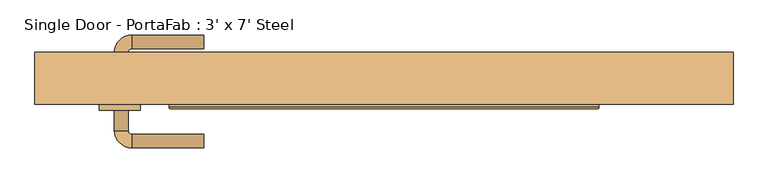
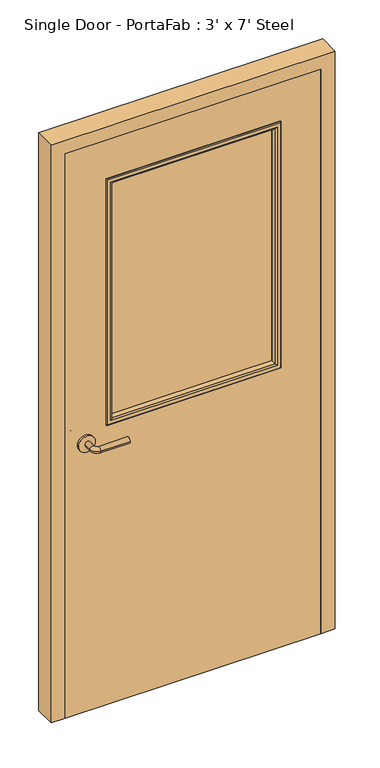
"""IFC4 building model written with IfcOpenShell, lengths in millimetres: door geometry, Single Door - PortaFab : 3' x 7' Steel."""

from ifc_helpers import new_model, si_unit, point, frame, frame_2d, origin, place, context, project, spatial, polyline, circle_curve, ellipse_curve, trimmed, segment, composite_curve, outline, extrude, faceted_brep, source, transform, mapped, element, save
from ifc_brep_helpers import plane_surface, cylinder_surface, revolved_surface, advanced_brep


def single_door_portafab_3_x_7_steel_7e8915a9(model_context):
    return source(origin(), model_context, "Body", "SolidModel", [
        advanced_brep(
        [(-392.190625, -69.7875, 1016.0), (-372.190625, -69.7875, 1016.0), (-392.190625, -39.7875, 1016.0), (-372.190625, -39.7875, 1016.0), (-367.190625, -34.7875, 1016.0), (-367.190625, -14.7875, 1016.0), (-262.190625, -14.7875, 1016.0), (-262.190625, -34.7875, 1016.0)],
        [
            (0, 1, circle_curve(frame((-382.190625, -69.7875, 1016.0), z_axis=(0.0, -1.0, 0.0), x_axis=(1.0, 0.0, 0.0)), 10.0)),
            (1, 0, circle_curve(frame((-382.190625, -69.7875, 1016.0), z_axis=(0.0, -1.0, 0.0), x_axis=(1.0, 0.0, 0.0)), 10.0)),
            (0, 2),
            (2, 3, circle_curve(frame((-382.190625, -39.7875, 1016.0), z_axis=(0.0, -1.0, 0.0), x_axis=(1.0, 0.0, 0.0)), 10.0)),
            (3, 1),
            (3, 2, circle_curve(frame((-382.190625, -39.7875, 1016.0), z_axis=(0.0, -1.0, 0.0), x_axis=(1.0, 0.0, 0.0)), 10.0)),
            (4, 3, circle_curve(frame((-367.190625, -39.7875, 1016.0), z_axis=(0.0, 0.0, 1.0), x_axis=(-1.0, 0.0, 0.0)), 5.0)),
            (2, 5, circle_curve(frame((-367.190625, -39.7875, 1016.0), z_axis=(0.0, 0.0, -1.0), x_axis=(-1.0, 0.0, 0.0)), 25.0)),
            (5, 4, circle_curve(frame((-367.190625, -24.7875, 1016.0), z_axis=(-1.0, 0.0, 0.0), x_axis=(0.0, -1.0, 0.0)), 10.0)),
            (4, 5, circle_curve(frame((-367.190625, -24.7875, 1016.0), z_axis=(-1.0, 0.0, 0.0), x_axis=(0.0, -1.0, 0.0)), 10.0)),
            (6, 7, circle_curve(frame((-262.190625, -24.7875, 1016.0), z_axis=(1.0, 0.0, 0.0), x_axis=(0.0, -1.0, 0.0)), 10.0)),
            (7, 6, circle_curve(frame((-262.190625, -24.7875, 1016.0), z_axis=(1.0, 0.0, 0.0), x_axis=(0.0, -1.0, 0.0)), 10.0)),
            (5, 6),
            (7, 4),
        ],
        [
            plane_surface(frame((-382.190625, -69.7875, 1016.0), z_axis=(0.0, -1.0, 0.0), x_axis=(0.0, 0.0, 1.0))),
            cylinder_surface(frame((-382.190625, -69.7875, 1016.0), z_axis=(0.0, -1.0, 0.0), x_axis=(1.0, 0.0, 0.0)), 10.0),
            revolved_surface(trimmed(ellipse_curve(frame((-382.190625, -39.7875, 1016.0), z_axis=(0.0, -1.0, 0.0), x_axis=(1.0, 0.0, 0.0)), 10.0, 10.0), [point((-392.190625, -39.7875, 1016.0))], [point((-372.190625, -39.7875, 1016.0))], True, "CARTESIAN"), (-367.190625, -39.7875, 1016.0), (0.0, 0.0, -1.0)),
            revolved_surface(trimmed(ellipse_curve(frame((-382.190625, -39.7875, 1016.0), z_axis=(0.0, -1.0, 0.0), x_axis=(1.0, 0.0, 0.0)), 10.0, 10.0), [point((-372.190625, -39.7875, 1016.0))], [point((-392.190625, -39.7875, 1016.0))], True, "CARTESIAN"), (-367.190625, -39.7875, 1016.0), (0.0, 0.0, -1.0)),
            plane_surface(frame((-262.190625, -24.7875, 1016.0), z_axis=(1.0, 0.0, 0.0), x_axis=(0.0, 0.0, 1.0))),
            cylinder_surface(frame((-367.190625, -24.7875, 1016.0), z_axis=(-1.0, 0.0, 0.0), x_axis=(0.0, -1.0, 0.0)), 10.0),
        ],
        [
            (0, [[1, 2]]),
            (1, [[-1, 3, 4, 5]]),
            (1, [[-2, -5, 6, -3]]),
            (2, [[7, -4, 8, 9]]),
            (3, [[-8, -6, -7, 10]]),
            (4, [[11, 12]]),
            (5, [[-9, 13, -12, 14]]),
            (5, [[-10, -14, -11, -13]]),
        ],
    ),
        extrude(outline(composite_curve([segment(trimmed(circle_curve(frame_2d((1016.0, -384.690625)), 30.0), [point((1016.0, -414.690625))], [point((1016.0, -354.690625))], False, "CARTESIAN"), True, "CONTINUOUS"), segment(trimmed(circle_curve(frame_2d((1016.0, -384.690625)), 30.0), [point((1016.0, -354.690625))], [point((1016.0, -414.690625))], False, "CARTESIAN"), True, "CONTINUOUS")], self_intersect=False)), frame((0.0, -77.7875, 0.0), z_axis=(0.0, 1.0, 0.0), x_axis=(0.0, 0.0, 1.0)), (0.0, 0.0, 1.0), 8.0),
        advanced_brep(
        [(-392.190625, -123.8875, 1016.0), (-372.190625, -123.8875, 1016.0), (-372.190625, -153.8875, 1016.0), (-392.190625, -153.8875, 1016.0), (-367.190625, -158.8875, 1016.0), (-367.190625, -178.8875, 1016.0), (-262.190625, -178.8875, 1016.0), (-262.190625, -158.8875, 1016.0)],
        [
            (0, 1, circle_curve(frame((-382.190625, -123.8875, 1016.0), z_axis=(0.0, 1.0, 0.0), x_axis=(1.0, 0.0, 0.0)), 10.0)),
            (1, 0, circle_curve(frame((-382.190625, -123.8875, 1016.0), z_axis=(0.0, 1.0, 0.0), x_axis=(1.0, 0.0, 0.0)), 10.0)),
            (1, 2),
            (2, 3, circle_curve(frame((-382.190625, -153.8875, 1016.0), z_axis=(0.0, 1.0, 0.0), x_axis=(1.0, 0.0, 0.0)), 10.0)),
            (3, 0),
            (3, 2, circle_curve(frame((-382.190625, -153.8875, 1016.0), z_axis=(0.0, 1.0, 0.0), x_axis=(1.0, 0.0, 0.0)), 10.0)),
            (4, 5, circle_curve(frame((-367.190625, -168.8875, 1016.0), z_axis=(-1.0, 0.0, 0.0), x_axis=(0.0, 1.0, 0.0)), 10.0)),
            (5, 3, circle_curve(frame((-367.190625, -153.8875, 1016.0), z_axis=(0.0, 0.0, -1.0), x_axis=(-1.0, 0.0, 0.0)), 25.0)),
            (2, 4, circle_curve(frame((-367.190625, -153.8875, 1016.0), z_axis=(0.0, 0.0, 1.0), x_axis=(-1.0, 0.0, 0.0)), 5.0)),
            (5, 4, circle_curve(frame((-367.190625, -168.8875, 1016.0), z_axis=(-1.0, 0.0, 0.0), x_axis=(0.0, 1.0, 0.0)), 10.0)),
            (6, 7, circle_curve(frame((-262.190625, -168.8875, 1016.0), z_axis=(1.0, 0.0, 0.0), x_axis=(0.0, 1.0, 0.0)), 10.0)),
            (7, 6, circle_curve(frame((-262.190625, -168.8875, 1016.0), z_axis=(1.0, 0.0, 0.0), x_axis=(0.0, 1.0, 0.0)), 10.0)),
            (4, 7),
            (6, 5),
        ],
        [
            plane_surface(frame((-382.190625, -123.8875, 1016.0), z_axis=(0.0, 1.0, 0.0), x_axis=(0.0, 0.0, 1.0))),
            cylinder_surface(frame((-382.190625, -123.8875, 1016.0), z_axis=(0.0, 1.0, 0.0), x_axis=(1.0, 0.0, 0.0)), 10.0),
            revolved_surface(trimmed(ellipse_curve(frame((-382.190625, -153.8875, 1016.0), z_axis=(0.0, -1.0, 0.0), x_axis=(1.0, 0.0, 0.0)), 10.0, 10.0), [point((-392.190625, -153.8875, 1016.0))], [point((-372.190625, -153.8875, 1016.0))], True, "CARTESIAN"), (-367.190625, -153.8875, 1016.0), (0.0, 0.0, -1.0)),
            revolved_surface(trimmed(ellipse_curve(frame((-382.190625, -153.8875, 1016.0), z_axis=(0.0, -1.0, 0.0), x_axis=(1.0, 0.0, 0.0)), 10.0, 10.0), [point((-372.190625, -153.8875, 1016.0))], [point((-392.190625, -153.8875, 1016.0))], True, "CARTESIAN"), (-367.190625, -153.8875, 1016.0), (0.0, 0.0, -1.0)),
            plane_surface(frame((-262.190625, -168.8875, 1016.0), z_axis=(1.0, 0.0, 0.0), x_axis=(0.0, 0.0, 1.0))),
            cylinder_surface(frame((-367.190625, -168.8875, 1016.0), z_axis=(-1.0, 0.0, 0.0), x_axis=(0.0, 1.0, 0.0)), 10.0),
        ],
        [
            (0, [[1, 2]]),
            (1, [[3, 4, 5, -2]]),
            (1, [[-5, 6, -3, -1]]),
            (2, [[7, 8, -4, 9]]),
            (3, [[10, -9, -6, -8]]),
            (4, [[11, 12]]),
            (5, [[13, -11, 14, -7]]),
            (5, [[-14, -12, -13, -10]]),
        ],
    ),
        extrude(outline(composite_curve([segment(trimmed(circle_curve(frame_2d((1016.0, -384.690625)), 30.0), [point((1016.0, -414.690625))], [point((1016.0, -354.690625))], False, "CARTESIAN"), True, "CONTINUOUS"), segment(trimmed(circle_curve(frame_2d((1016.0, -384.690625)), 30.0), [point((1016.0, -354.690625))], [point((1016.0, -414.690625))], False, "CARTESIAN"), True, "CONTINUOUS")], self_intersect=False)), frame((0.0, -123.8875, 0.0), z_axis=(0.0, 1.0, 0.0), x_axis=(0.0, 0.0, 1.0)), (0.0, 0.0, 1.0), 8.0),
        extrude(outline(polyline([(304.8, -90.4875), (304.8, -96.8375), (-304.8, -96.8375), (-304.8, -90.4875), (304.8, -90.4875)])), frame((0.0, 0.0, 1066.8), z_axis=(0.0, 0.0, 1.0), x_axis=(1.0, 0.0, 0.0)), (0.0, 0.0, 1.0), 914.4),
        extrude(outline(polyline([(2133.6, -457.2), (0.0, -457.2), (0.0, 457.2), (2133.6, 457.2), (2133.6, -457.2)]), holes=[polyline([(1981.2, -304.8), (1981.2, 304.8), (1066.8, 304.8), (1066.8, -304.8), (1981.2, -304.8)])]), frame((0.0, -115.8875, 0.0), z_axis=(0.0, 1.0, 0.0), x_axis=(0.0, 0.0, 1.0)), (0.0, 0.0, 1.0), 38.1),
        faceted_brep([(457.2, -73.025, 0.0), (441.325, -73.025, 0.0), (441.325, -39.6875, 0.0), (508.0, -39.6875, 0.0), (508.0, -115.8875, 0.0), (457.2, -115.8875, 0.0), (457.2, -115.8875, 2133.6), (457.2, -73.025, 2133.6), (508.0, -115.8875, 2184.4), (-508.0, -115.8875, 2184.4), (-508.0, -115.8875, 0.0), (-457.2, -115.8875, 0.0), (-457.2, -115.8875, 2133.6), (508.0, -39.6875, 2184.4), (441.325, -39.6875, 2117.725), (-441.325, -39.6875, 2117.725), (-441.325, -39.6875, 0.0), (-508.0, -39.6875, 0.0), (-508.0, -39.6875, 2184.4), (441.325, -73.025, 2117.725), (-457.2, -73.025, 2133.6), (-457.2, -73.025, 0.0), (-441.325, -73.025, 0.0), (-441.325, -73.025, 2117.725)], [[[0, 1, 2, 3, 4, 5]], [[5, 6, 7, 0]], [[4, 8, 9, 10, 11, 12, 6, 5]], [[3, 13, 8, 4]], [[3, 2, 14, 15, 16, 17, 18, 13]], [[1, 19, 14, 2]], [[0, 7, 20, 21, 22, 23, 19, 1]], [[12, 11, 21, 20]], [[21, 11, 10, 17, 16, 22]], [[18, 17, 10, 9]], [[23, 22, 16, 15]], [[6, 12, 20, 7]], [[13, 18, 9, 8]], [[19, 23, 15, 14]]]),
        advanced_brep(
        [(-304.8, -96.8375, 1066.8), (-304.8, -96.8375, 1981.2), (-304.8, -77.7875, 1981.2), (-304.8, -77.7875, 1066.8), (-292.8, -76.7875, 1078.8), (-292.8, -76.7875, 1969.2), (-292.8, -96.8375, 1969.2), (-292.8, -96.8375, 1078.8), (-297.8, -71.7875, 1073.8), (-297.8, -71.7875, 1974.2), (-312.8, -73.7875, 1058.8), (-312.8, -73.7875, 1989.2), (-310.8, -71.7875, 1987.2), (-310.8, -71.7875, 1060.8), (-312.8, -77.7875, 1058.8), (-312.8, -77.7875, 1989.2), (304.8, -96.8375, 1981.2), (304.8, -77.7875, 1981.2), (292.8, -76.7875, 1969.2), (292.8, -96.8375, 1969.2), (297.8, -71.7875, 1974.2), (312.8, -73.7875, 1989.2), (310.8, -71.7875, 1987.2), (312.8, -77.7875, 1989.2), (304.8, -96.8375, 1066.8), (304.8, -77.7875, 1066.8), (292.8, -76.7875, 1078.8), (292.8, -96.8375, 1078.8), (297.8, -71.7875, 1073.8), (312.8, -73.7875, 1058.8), (310.8, -71.7875, 1060.8), (312.8, -77.7875, 1058.8)],
        [
            (0, 1),
            (1, 2),
            (2, 3),
            (3, 0),
            (4, 5),
            (5, 6),
            (6, 7),
            (7, 4),
            (8, 9),
            (9, 5, ellipse_curve(frame((-297.8, -76.7875, 1974.2), z_axis=(-0.7071067811865475, 0.0, -0.7071067811865475), x_axis=(0.7071067811865474, 0.0, -0.7071067811865476)), 7.0710678, 5.0)),
            (4, 8, ellipse_curve(frame((-297.8, -76.7875, 1073.8), z_axis=(-0.7071067811865475, 0.0, 0.7071067811865475), x_axis=(-0.7071067811865474, 0.0, -0.7071067811865476)), 7.0710678, 5.0)),
            (10, 11),
            (11, 12, ellipse_curve(frame((-310.8, -73.7875, 1987.2), z_axis=(-0.7071067811865475, 0.0, -0.7071067811865475), x_axis=(0.7071067811865474, 0.0, -0.7071067811865476)), 2.8284271, 2.0)),
            (12, 13),
            (13, 10, ellipse_curve(frame((-310.8, -73.7875, 1060.8), z_axis=(-0.7071067811865475, 0.0, 0.7071067811865475), x_axis=(-0.7071067811865474, 0.0, -0.7071067811865476)), 2.8284271, 2.0)),
            (14, 15),
            (15, 11),
            (10, 14),
            (1, 16),
            (16, 17),
            (17, 2),
            (5, 18),
            (18, 19),
            (19, 6),
            (9, 20),
            (20, 18, ellipse_curve(frame((297.8, -76.7875, 1974.2), z_axis=(-0.7071067811865475, 0.0, 0.7071067811865475), x_axis=(-0.7071067811865476, 0.0, -0.7071067811865474)), 7.0710678, 5.0)),
            (11, 21),
            (21, 22, ellipse_curve(frame((310.8, -73.7875, 1987.2), z_axis=(-0.7071067811865475, 0.0, 0.7071067811865475), x_axis=(-0.7071067811865476, 0.0, -0.7071067811865474)), 2.8284271, 2.0)),
            (22, 12),
            (15, 23),
            (23, 21),
            (16, 24),
            (24, 25),
            (25, 17),
            (18, 26),
            (26, 27),
            (27, 19),
            (20, 28),
            (28, 26, ellipse_curve(frame((297.8, -76.7875, 1073.8), z_axis=(0.7071067811865475, 0.0, 0.7071067811865475), x_axis=(-0.7071067811865474, 0.0, 0.7071067811865476)), 7.0710678, 5.0)),
            (21, 29),
            (29, 30, ellipse_curve(frame((310.8, -73.7875, 1060.8), z_axis=(0.7071067811865475, 0.0, 0.7071067811865475), x_axis=(-0.7071067811865474, 0.0, 0.7071067811865476)), 2.8284271, 2.0)),
            (30, 22),
            (23, 31),
            (31, 29),
            (14, 31),
            (25, 3),
            (24, 0),
            (27, 7),
            (26, 4),
            (28, 8),
            (30, 13),
            (29, 10),
        ],
        [
            plane_surface(frame((-304.8, -77.7875, 1066.8), z_axis=(-1.0, 0.0, 0.0), x_axis=(0.0, 0.0, 1.0))),
            plane_surface(frame((-292.8, -96.8375, 1078.8), z_axis=(1.0, 0.0, 0.0), x_axis=(0.0, 0.0, 1.0))),
            cylinder_surface(frame((-297.8, -76.7875, 1066.8), z_axis=(0.0, 0.0, -1.0), x_axis=(-1.0, 0.0, 0.0)), 5.0),
            cylinder_surface(frame((-310.8, -73.7875, 1066.8), z_axis=(0.0, 0.0, -1.0), x_axis=(-1.0, 0.0, 0.0)), 2.0),
            plane_surface(frame((-312.8, -73.7875, 1058.8), z_axis=(-1.0, 0.0, 0.0), x_axis=(0.0, 0.0, 1.0))),
            plane_surface(frame((-304.8, -77.7875, 1981.2), z_axis=(0.0, 0.0, 1.0), x_axis=(1.0, 0.0, 0.0))),
            plane_surface(frame((-292.8, -96.8375, 1969.2), z_axis=(0.0, 0.0, -1.0), x_axis=(1.0, 0.0, 0.0))),
            cylinder_surface(frame((-304.8, -76.7875, 1974.2), z_axis=(-1.0, 0.0, 0.0), x_axis=(0.0, 0.0, 1.0)), 5.0),
            cylinder_surface(frame((-304.8, -73.7875, 1987.2), z_axis=(-1.0, 0.0, 0.0), x_axis=(0.0, 0.0, 1.0)), 2.0),
            plane_surface(frame((-312.8, -73.7875, 1989.2), z_axis=(0.0, 0.0, 1.0), x_axis=(1.0, 0.0, 0.0))),
            plane_surface(frame((304.8, -77.7875, 1981.2), z_axis=(1.0, 0.0, 0.0), x_axis=(0.0, 0.0, -1.0))),
            plane_surface(frame((292.8, -96.8375, 1969.2), z_axis=(-1.0, 0.0, 0.0), x_axis=(0.0, 0.0, -1.0))),
            cylinder_surface(frame((297.8, -76.7875, 1981.2), z_axis=(0.0, 0.0, 1.0), x_axis=(1.0, 0.0, 0.0)), 5.0),
            cylinder_surface(frame((310.8, -73.7875, 1981.2), z_axis=(0.0, 0.0, 1.0), x_axis=(1.0, 0.0, 0.0)), 2.0),
            plane_surface(frame((312.8, -73.7875, 1989.2), z_axis=(1.0, 0.0, 0.0), x_axis=(0.0, 0.0, -1.0))),
            plane_surface(frame((312.8, -77.7875, 1058.8), z_axis=(0.0, -1.0, 0.0), x_axis=(-1.0, 0.0, 0.0))),
            plane_surface(frame((304.8, -77.7875, 1066.8), z_axis=(0.0, 0.0, -1.0), x_axis=(-1.0, 0.0, 0.0))),
            plane_surface(frame((304.8, -96.8375, 1066.8), z_axis=(0.0, -1.0, 0.0), x_axis=(-1.0, 0.0, 0.0))),
            plane_surface(frame((292.8, -96.8375, 1078.8), z_axis=(0.0, 0.0, 1.0), x_axis=(-1.0, 0.0, 0.0))),
            cylinder_surface(frame((304.8, -76.7875, 1073.8), z_axis=(1.0, 0.0, 0.0), x_axis=(0.0, 0.0, -1.0)), 5.0),
            plane_surface(frame((297.8, -71.7875, 1073.8), z_axis=(0.0, 1.0, 0.0), x_axis=(-1.0, 0.0, 0.0))),
            cylinder_surface(frame((304.8, -73.7875, 1060.8), z_axis=(1.0, 0.0, 0.0), x_axis=(0.0, 0.0, -1.0)), 2.0),
            plane_surface(frame((312.8, -73.7875, 1058.8), z_axis=(0.0, 0.0, -1.0), x_axis=(-1.0, 0.0, 0.0))),
        ],
        [
            (0, [[1, 2, 3, 4]]),
            (1, [[5, 6, 7, 8]]),
            (2, [[9, 10, -5, 11]]),
            (3, [[12, 13, 14, 15]]),
            (4, [[16, 17, -12, 18]]),
            (5, [[19, 20, 21, -2]]),
            (6, [[22, 23, 24, -6]]),
            (7, [[25, 26, -22, -10]]),
            (8, [[27, 28, 29, -13]]),
            (9, [[30, 31, -27, -17]]),
            (10, [[32, 33, 34, -20]]),
            (11, [[35, 36, 37, -23]]),
            (12, [[38, 39, -35, -26]]),
            (13, [[40, 41, 42, -28]]),
            (14, [[43, 44, -40, -31]]),
            (15, [[-16, 45, -43, -30], [-3, -21, -34, 46]]),
            (16, [[47, -4, -46, -33]]),
            (17, [[-1, -47, -32, -19], [-7, -24, -37, 48]]),
            (18, [[49, -8, -48, -36]]),
            (19, [[50, -11, -49, -39]]),
            (20, [[-14, -29, -42, 51], [-9, -50, -38, -25]]),
            (21, [[52, -15, -51, -41]]),
            (22, [[-45, -18, -52, -44]]),
        ],
    ),
        advanced_brep(
        [(-304.8, -96.8375, 1981.2), (-304.8, -96.8375, 1066.8), (-304.8, -115.8875, 1066.8), (-304.8, -115.8875, 1981.2), (-292.8, -116.8875, 1969.2), (-292.8, -116.8875, 1078.8), (-292.8, -96.8375, 1078.8), (-292.8, -96.8375, 1969.2), (-297.8, -121.8875, 1974.2), (-297.8, -121.8875, 1073.8), (-312.8, -119.8875, 1989.2), (-312.8, -119.8875, 1058.8), (-310.8, -121.8875, 1060.8), (-310.8, -121.8875, 1987.2), (-312.8, -115.8875, 1989.2), (-312.8, -115.8875, 1058.8), (304.8, -96.8375, 1066.8), (304.8, -115.8875, 1066.8), (292.8, -116.8875, 1078.8), (292.8, -96.8375, 1078.8), (297.8, -121.8875, 1073.8), (312.8, -119.8875, 1058.8), (310.8, -121.8875, 1060.8), (312.8, -115.8875, 1058.8), (304.8, -96.8375, 1981.2), (304.8, -115.8875, 1981.2), (292.8, -116.8875, 1969.2), (292.8, -96.8375, 1969.2), (297.8, -121.8875, 1974.2), (312.8, -119.8875, 1989.2), (310.8, -121.8875, 1987.2), (312.8, -115.8875, 1989.2)],
        [
            (0, 1),
            (1, 2),
            (2, 3),
            (3, 0),
            (4, 5),
            (5, 6),
            (6, 7),
            (7, 4),
            (8, 9),
            (9, 5, ellipse_curve(frame((-297.8, -116.8875, 1073.8), z_axis=(-0.7071067811865475, 0.0, 0.7071067811865475), x_axis=(0.7071067811865474, 0.0, 0.7071067811865476)), 7.0710678, 5.0)),
            (4, 8, ellipse_curve(frame((-297.8, -116.8875, 1974.2), z_axis=(-0.7071067811865475, 0.0, -0.7071067811865475), x_axis=(-0.7071067811865474, 0.0, 0.7071067811865476)), 7.0710678, 5.0)),
            (10, 11),
            (11, 12, ellipse_curve(frame((-310.8, -119.8875, 1060.8), z_axis=(-0.7071067811865475, 0.0, 0.7071067811865475), x_axis=(0.7071067811865474, 0.0, 0.7071067811865476)), 2.8284271, 2.0)),
            (12, 13),
            (13, 10, ellipse_curve(frame((-310.8, -119.8875, 1987.2), z_axis=(-0.7071067811865475, 0.0, -0.7071067811865475), x_axis=(-0.7071067811865474, 0.0, 0.7071067811865476)), 2.8284271, 2.0)),
            (14, 15),
            (15, 11),
            (10, 14),
            (1, 16),
            (16, 17),
            (17, 2),
            (5, 18),
            (18, 19),
            (19, 6),
            (9, 20),
            (20, 18, ellipse_curve(frame((297.8, -116.8875, 1073.8), z_axis=(-0.7071067811865475, 0.0, -0.7071067811865475), x_axis=(-0.7071067811865476, 0.0, 0.7071067811865474)), 7.0710678, 5.0)),
            (11, 21),
            (21, 22, ellipse_curve(frame((310.8, -119.8875, 1060.8), z_axis=(-0.7071067811865475, 0.0, -0.7071067811865475), x_axis=(-0.7071067811865476, 0.0, 0.7071067811865474)), 2.8284271, 2.0)),
            (22, 12),
            (15, 23),
            (23, 21),
            (16, 24),
            (24, 25),
            (25, 17),
            (18, 26),
            (26, 27),
            (27, 19),
            (20, 28),
            (28, 26, ellipse_curve(frame((297.8, -116.8875, 1974.2), z_axis=(0.7071067811865475, 0.0, -0.7071067811865475), x_axis=(-0.7071067811865474, 0.0, -0.7071067811865476)), 7.0710678, 5.0)),
            (21, 29),
            (29, 30, ellipse_curve(frame((310.8, -119.8875, 1987.2), z_axis=(0.7071067811865475, 0.0, -0.7071067811865475), x_axis=(-0.7071067811865474, 0.0, -0.7071067811865476)), 2.8284271, 2.0)),
            (30, 22),
            (23, 31),
            (31, 29),
            (14, 31),
            (25, 3),
            (24, 0),
            (27, 7),
            (26, 4),
            (28, 8),
            (30, 13),
            (29, 10),
        ],
        [
            plane_surface(frame((-304.8, -115.8875, 1981.2), z_axis=(-1.0, 0.0, 0.0), x_axis=(0.0, 0.0, -1.0))),
            plane_surface(frame((-292.8, -96.8375, 1969.2), z_axis=(1.0, 0.0, 0.0), x_axis=(0.0, 0.0, -1.0))),
            cylinder_surface(frame((-297.8, -116.8875, 1981.2), z_axis=(0.0, 0.0, 1.0), x_axis=(-1.0, 0.0, 0.0)), 5.0),
            cylinder_surface(frame((-310.8, -119.8875, 1981.2), z_axis=(0.0, 0.0, 1.0), x_axis=(-1.0, 0.0, 0.0)), 2.0),
            plane_surface(frame((-312.8, -119.8875, 1989.2), z_axis=(-1.0, 0.0, 0.0), x_axis=(0.0, 0.0, -1.0))),
            plane_surface(frame((-304.8, -115.8875, 1066.8), z_axis=(0.0, 0.0, -1.0), x_axis=(1.0, 0.0, 0.0))),
            plane_surface(frame((-292.8, -96.8375, 1078.8), z_axis=(0.0, 0.0, 1.0), x_axis=(1.0, 0.0, 0.0))),
            cylinder_surface(frame((-304.8, -116.8875, 1073.8), z_axis=(-1.0, 0.0, 0.0), x_axis=(0.0, 0.0, -1.0)), 5.0),
            cylinder_surface(frame((-304.8, -119.8875, 1060.8), z_axis=(-1.0, 0.0, 0.0), x_axis=(0.0, 0.0, -1.0)), 2.0),
            plane_surface(frame((-312.8, -119.8875, 1058.8), z_axis=(0.0, 0.0, -1.0), x_axis=(1.0, 0.0, 0.0))),
            plane_surface(frame((304.8, -115.8875, 1066.8), z_axis=(1.0, 0.0, 0.0), x_axis=(0.0, 0.0, 1.0))),
            plane_surface(frame((292.8, -96.8375, 1078.8), z_axis=(-1.0, 0.0, 0.0), x_axis=(0.0, 0.0, 1.0))),
            cylinder_surface(frame((297.8, -116.8875, 1066.8), z_axis=(0.0, 0.0, -1.0), x_axis=(1.0, 0.0, 0.0)), 5.0),
            cylinder_surface(frame((310.8, -119.8875, 1066.8), z_axis=(0.0, 0.0, -1.0), x_axis=(1.0, 0.0, 0.0)), 2.0),
            plane_surface(frame((312.8, -119.8875, 1058.8), z_axis=(1.0, 0.0, 0.0), x_axis=(0.0, 0.0, 1.0))),
            plane_surface(frame((312.8, -115.8875, 1989.2), z_axis=(0.0, 1.0, 0.0), x_axis=(-1.0, 0.0, 0.0))),
            plane_surface(frame((304.8, -115.8875, 1981.2), z_axis=(0.0, 0.0, 1.0), x_axis=(-1.0, 0.0, 0.0))),
            plane_surface(frame((304.8, -96.8375, 1981.2), z_axis=(0.0, 1.0, 0.0), x_axis=(-1.0, 0.0, 0.0))),
            plane_surface(frame((292.8, -96.8375, 1969.2), z_axis=(0.0, 0.0, -1.0), x_axis=(-1.0, 0.0, 0.0))),
            cylinder_surface(frame((304.8, -116.8875, 1974.2), z_axis=(1.0, 0.0, 0.0), x_axis=(0.0, 0.0, 1.0)), 5.0),
            plane_surface(frame((297.8, -121.8875, 1974.2), z_axis=(0.0, -1.0, 0.0), x_axis=(-1.0, 0.0, 0.0))),
            cylinder_surface(frame((304.8, -119.8875, 1987.2), z_axis=(1.0, 0.0, 0.0), x_axis=(0.0, 0.0, 1.0)), 2.0),
            plane_surface(frame((312.8, -119.8875, 1989.2), z_axis=(0.0, 0.0, 1.0), x_axis=(-1.0, 0.0, 0.0))),
        ],
        [
            (0, [[1, 2, 3, 4]]),
            (1, [[5, 6, 7, 8]]),
            (2, [[9, 10, -5, 11]]),
            (3, [[12, 13, 14, 15]]),
            (4, [[16, 17, -12, 18]]),
            (5, [[19, 20, 21, -2]]),
            (6, [[22, 23, 24, -6]]),
            (7, [[25, 26, -22, -10]]),
            (8, [[27, 28, 29, -13]]),
            (9, [[30, 31, -27, -17]]),
            (10, [[32, 33, 34, -20]]),
            (11, [[35, 36, 37, -23]]),
            (12, [[38, 39, -35, -26]]),
            (13, [[40, 41, 42, -28]]),
            (14, [[43, 44, -40, -31]]),
            (15, [[-16, 45, -43, -30], [-3, -21, -34, 46]]),
            (16, [[47, -4, -46, -33]]),
            (17, [[-1, -47, -32, -19], [-7, -24, -37, 48]]),
            (18, [[49, -8, -48, -36]]),
            (19, [[50, -11, -49, -39]]),
            (20, [[-14, -29, -42, 51], [-9, -50, -38, -25]]),
            (21, [[52, -15, -51, -41]]),
            (22, [[-45, -18, -52, -44]]),
        ],
    ),
    ])


if __name__ == "__main__":
    model = new_model("IFC4")
    model_context = context("Model", 3, world=origin())
    ifc_project = project(units=[si_unit("LENGTHUNIT", "METRE", prefix="MILLI")], contexts=[model_context])
    site = spatial("IfcSite", under=ifc_project)
    building = spatial("IfcBuilding", under=site)
    placement = place(None, origin())
    single_door_portafab_3_x_7_steel_shape = single_door_portafab_3_x_7_steel_7e8915a9(model_context)
    element("IfcDoor", 1, ObjectType="Single Door - PortaFab : 3' x 7' Steel", at=placement, inside=building, context=model_context, shape_type="MappedRepresentation", body=[
        mapped(single_door_portafab_3_x_7_steel_shape, transform((0.0, 0.0, 0.0), x_axis=(1.0, 0.0, 0.0), y_axis=(0.0, 1.0, 0.0), z_axis=(0.0, 0.0, 1.0))),
    ])
    save(model, "model.ifc")
